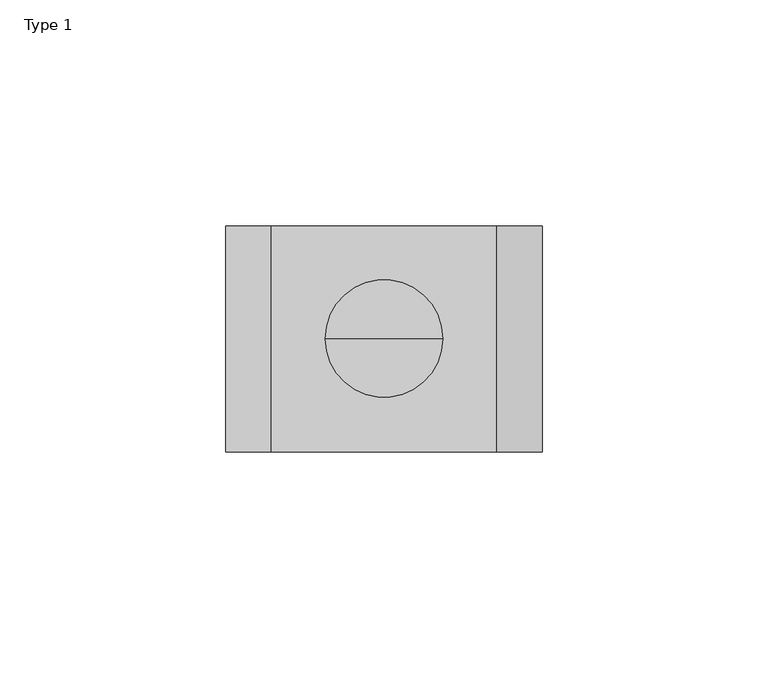
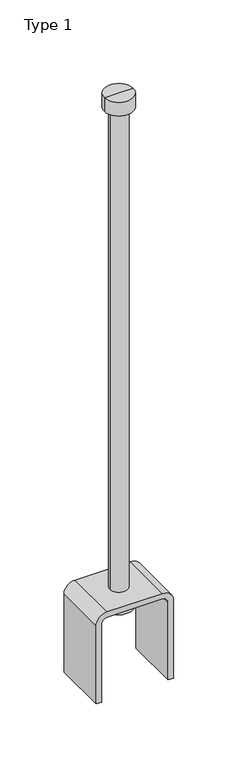
"""IFC4 building model written with IfcOpenShell, lengths in millimetres: proxy geometry, Type 1."""

import ifcopenshell
import ifcopenshell.guid

model = None  # the IFC model being written
_history = None  # IfcOwnerHistory: only IFC2X3 demands one
_inside = {}  # id of a spatial element -> (the spatial element, [elements in it])
_under = {}  # id of a project, library or spatial element -> (it, [spatial elements below it])
_declared = {}  # id of a project -> (the project, [libraries it declares])
_typed = {}  # id of a type object -> (the type object, [elements of that type])
_made_of = {}  # id of a material, layer set ... -> (it, [elements and type objects made of it])


def new_model(schema):
    """Start an empty IFC model of exactly this schema.

    Asked for "IFC4X3", IfcOpenShell would pick the latest addendum, in which some entities
    have other attributes; the version numbers below select the first issue.
    IFC2X3 requires an IfcOwnerHistory on every rooted entity: one is made here for all.
    """
    global model, _history
    if schema == "IFC4X3":
        model = ifcopenshell.file(schema_version=(4, 3, 0, 0))
    else:
        model = ifcopenshell.file(schema=schema)
    _inside.clear()
    _under.clear()
    _declared.clear()
    _typed.clear()
    _made_of.clear()
    _history = None
    if model.schema == "IFC2X3":
        org = make("IfcOrganization", Name="unknown")
        user = make(
            "IfcPersonAndOrganization",
            ThePerson=make("IfcPerson", FamilyName="unknown"),
            TheOrganization=org,
        )
        app = make(
            "IfcApplication",
            ApplicationDeveloper=org,
            Version="unknown",
            ApplicationFullName="unknown",
            ApplicationIdentifier="unknown",
        )
        _history = make(
            "IfcOwnerHistory",
            OwningUser=user,
            OwningApplication=app,
            ChangeAction="ADDED",
            CreationDate=0,
        )
    return model


def make(cls, **values):
    """One entity of the class cls with the attributes given. An attribute that is None is left unset."""
    return model.create_entity(
        cls, **{name: value for name, value in values.items() if value is not None}
    )


def rooted(cls, **values):
    """An entity with a GlobalId (a new one), such as an element, a storey or a relation."""
    return make(cls, GlobalId=ifcopenshell.guid.new(), OwnerHistory=_history, **values)


def si_unit(unit_type, name, prefix=None):
    """IfcSIUnit, for example si_unit("LENGTHUNIT", "METRE", prefix="MILLI")."""
    return make("IfcSIUnit", UnitType=unit_type, Prefix=prefix, Name=name)


def assignment(units):
    """IfcUnitAssignment: the units of a project."""
    return None if units is None else make("IfcUnitAssignment", Units=units)


def point(xyz):
    """IfcCartesianPoint."""
    return None if xyz is None else make("IfcCartesianPoint", Coordinates=xyz)


def direction(xyz):
    """IfcDirection."""
    return None if xyz is None else make("IfcDirection", DirectionRatios=xyz)


def frame(location, z_axis=None, x_axis=None):
    """IfcAxis2Placement3D, a coordinate frame: its origin and axes. An axis left out is left unset."""
    return make(
        "IfcAxis2Placement3D",
        Location=point(location),
        Axis=direction(z_axis),
        RefDirection=direction(x_axis),
    )


def frame_2d(location, x_axis=None):
    """IfcAxis2Placement2D, a coordinate frame in the plane: its origin and x axis."""
    return make(
        "IfcAxis2Placement2D", Location=point(location), RefDirection=direction(x_axis)
    )


def origin():
    """The frame at (0, 0, 0) with its axes left unset."""
    return frame((0.0, 0.0, 0.0))


def place(relative_to, where):
    """IfcLocalPlacement: puts the frame where relative to a parent placement (None: the world)."""
    return make(
        "IfcLocalPlacement", PlacementRelTo=relative_to, RelativePlacement=where
    )


def context(
    kind, dimensions, precision=None, world=None, true_north=None, identifier=None
):
    """IfcGeometricRepresentationContext, for example the 3D "Model" context."""
    return make(
        "IfcGeometricRepresentationContext",
        ContextIdentifier=identifier,
        ContextType=kind,
        CoordinateSpaceDimension=dimensions,
        Precision=precision,
        WorldCoordinateSystem=world,
        TrueNorth=true_north,
    )


def project(units=None, contexts=None):
    """IfcProject with its units and contexts."""
    return rooted(
        "IfcProject",
        Name="project",
        RepresentationContexts=contexts,
        UnitsInContext=assignment(units),
    )


def spatial(cls, under=None, at=None, **own):
    """A site, building, storey or space (cls), placed at a placement, below another one or the project."""
    s = rooted(cls, ObjectPlacement=at, **own)
    if under is not None:
        _under.setdefault(under.id(), (under, []))[1].append(s)
    return s


def polyline(points):
    """IfcPolyline through the points."""
    return make("IfcPolyline", Points=[point(p) for p in points])


def circle_curve(where, radius):
    """IfcCircle in the frame where."""
    return make("IfcCircle", Position=where, Radius=radius)


def trimmed(basis, trim1, trim2, sense, master):
    """IfcTrimmedCurve: the piece of a basis curve between two trims."""
    return make(
        "IfcTrimmedCurve",
        BasisCurve=basis,
        Trim1=trim1,
        Trim2=trim2,
        SenseAgreement=sense,
        MasterRepresentation=master,
    )


def segment(curve, same_sense, transition):
    """IfcCompositeCurveSegment."""
    return make(
        "IfcCompositeCurveSegment",
        Transition=transition,
        SameSense=same_sense,
        ParentCurve=curve,
    )


def composite_curve(segments, self_intersect=None):
    """IfcCompositeCurve: segments joined end to end."""
    return make("IfcCompositeCurve", Segments=segments, SelfIntersect=self_intersect)


def outline(outer, holes=None, kind="AREA"):
    """IfcArbitraryClosedProfileDef: a profile drawn as a closed curve; with holes, ...WithVoids."""
    if holes is None:
        return make("IfcArbitraryClosedProfileDef", ProfileType=kind, OuterCurve=outer)
    return make(
        "IfcArbitraryProfileDefWithVoids",
        ProfileType=kind,
        OuterCurve=outer,
        InnerCurves=holes,
    )


def extrude(swept, where, along, depth):
    """IfcExtrudedAreaSolid: the profile swept, set in the frame where, extruded along a direction by depth."""
    return make(
        "IfcExtrudedAreaSolid",
        SweptArea=swept,
        Position=where,
        ExtrudedDirection=direction(along),
        Depth=depth,
    )


def shape(context_of_items, identifier, shape_type, items):
    """IfcShapeRepresentation: the items that make up one representation, for example the "Body"."""
    return make(
        "IfcShapeRepresentation",
        ContextOfItems=context_of_items,
        RepresentationIdentifier=identifier,
        RepresentationType=shape_type,
        Items=items,
    )


def source(mapping_origin, context_of_items, identifier, shape_type, items):
    """IfcRepresentationMap: a shape defined once, which mapped items show again and again."""
    return make(
        "IfcRepresentationMap",
        MappingOrigin=mapping_origin,
        MappedRepresentation=shape(context_of_items, identifier, shape_type, items),
    )


def transform(
    local_origin,
    x_axis=None,
    y_axis=None,
    z_axis=None,
    scale=None,
    scale2=None,
    scale3=None,
    uniform=True,
):
    """IfcCartesianTransformationOperator3D, or its non-uniform kind. x_axis, y_axis, z_axis: its Axis1, 2, 3."""
    if uniform:
        return make(
            "IfcCartesianTransformationOperator3D",
            Axis1=direction(x_axis),
            Axis2=direction(y_axis),
            LocalOrigin=point(local_origin),
            Scale=scale,
            Axis3=direction(z_axis),
        )
    return make(
        "IfcCartesianTransformationOperator3DnonUniform",
        Axis1=direction(x_axis),
        Axis2=direction(y_axis),
        LocalOrigin=point(local_origin),
        Scale=scale,
        Axis3=direction(z_axis),
        Scale2=scale2,
        Scale3=scale3,
    )


def mapped(mapping_source, mapping_target):
    """IfcMappedItem: shows the shape of a source again, moved by a transform."""
    return make(
        "IfcMappedItem", MappingSource=mapping_source, MappingTarget=mapping_target
    )


def made_of(thing, what):
    """Note that an element or type object is made of a material, layer set ...; save() writes the relation."""
    if what is not None:
        _made_of.setdefault(what.id(), (what, []))[1].append(thing)
    return thing


def element(
    cls,
    number,
    at=None,
    inside=None,
    cuts=None,
    type_object=None,
    material=None,
    context=None,
    identifier="Body",
    shape_type=None,
    held_by="IfcProductDefinitionShape",
    body=None,
    shapes=None,
    **own,
):
    """One element of the class cls, such as IfcWall. Its Tag is "e" and its number.

    at: its placement. inside: the storey or other place that contains it. cuts: it is an
    opening in that element (IfcRelVoidsElement). A single representation is given by context,
    identifier, shape_type and body (its items); several are given by shapes. held_by: the class
    of the entity that holds the representations. save() writes the other relations.
    """
    e = rooted(cls, Tag="e%d" % number, ObjectPlacement=at, **own)
    if body is not None:
        shapes = [shape(context, identifier, shape_type, body)]
    if shapes is not None:
        e.Representation = make(held_by, Representations=shapes)
    if inside is not None:
        _inside.setdefault(inside.id(), (inside, []))[1].append(e)
    if cuts is not None:
        rooted(
            "IfcRelVoidsElement", RelatingBuildingElement=cuts, RelatedOpeningElement=e
        )
    if type_object is not None:
        _typed.setdefault(type_object.id(), (type_object, []))[1].append(e)
    return made_of(e, material)


def aggregate(whole, parts):
    """IfcRelAggregates: a whole, such as a stair, and the parts it consists of."""
    return rooted("IfcRelAggregates", RelatingObject=whole, RelatedObjects=parts)


def save(model, path):
    """Write the relations noted so far, then the file.

    IfcRelAggregates (storeys below a building ...), IfcRelContainedInSpatialStructure (elements
    in a storey), IfcRelDefinesByType, IfcRelAssociatesMaterial and IfcRelDeclares: one each for
    every whole, place, type object, material and project.
    """
    for whole, parts in _under.values():
        aggregate(whole, parts)
    for where, things in _inside.values():
        rooted(
            "IfcRelContainedInSpatialStructure",
            RelatedElements=things,
            RelatingStructure=where,
        )
    for kind, things in _typed.values():
        rooted("IfcRelDefinesByType", RelatedObjects=things, RelatingType=kind)
    for what, things in _made_of.values():
        rooted("IfcRelAssociatesMaterial", RelatedObjects=things, RelatingMaterial=what)
    for by, libraries in _declared.values():
        rooted("IfcRelDeclares", RelatingContext=by, RelatedDefinitions=libraries)
    model.write(path)


def plane_surface(at):
    """IfcPlane: the flat surface through the origin of the frame at, square to its z axis."""
    return make("IfcPlane", Position=at)


def cylinder_surface(at, radius):
    """IfcCylindricalSurface: all points at the distance radius from the z axis of the frame at."""
    return make("IfcCylindricalSurface", Position=at, Radius=radius)


def advanced_brep(points, edges, surfaces, faces):
    """IfcAdvancedBrep: a solid bounded by faces that lie on surfaces and meet in shared edges.

    An edge is (start, end): straight between two places in points (the first is 0);
    or (start, end, curve); or (start, end, curve, False) where it runs against its curve.
    A face is (place in surfaces, loops), or (place, loops, False) where it looks against
    its surface's normal. A loop lists edges by number (the first is 1), with a minus sign
    where the edge is run from its end to its start. The first loop is the outer one.
    """
    corners = [point(p) for p in points]
    vertices = [make("IfcVertexPoint", VertexGeometry=c) for c in corners]
    made = []
    for start, end, *more in edges:
        made.append(
            make(
                "IfcEdgeCurve",
                EdgeStart=vertices[start],
                EdgeEnd=vertices[end],
                EdgeGeometry=more[0] if more else make("IfcPolyline", Points=[corners[start], corners[end]]),
                SameSense=more[1] if len(more) > 1 else True,
            )
        )
    hull = []
    for where, loops, *sense in faces:
        bounds = []
        for j, loop in enumerate(loops):
            ring = [make("IfcOrientedEdge", EdgeElement=made[abs(k) - 1], Orientation=k > 0) for k in loop]
            bounds.append(
                make(
                    "IfcFaceOuterBound" if j == 0 else "IfcFaceBound",
                    Bound=make("IfcEdgeLoop", EdgeList=ring),
                    Orientation=True,
                )
            )
        hull.append(make("IfcAdvancedFace", Bounds=bounds, FaceSurface=surfaces[where], SameSense=sense[0] if sense else True))
    return make("IfcAdvancedBrep", Outer=make("IfcClosedShell", CfsFaces=hull))


def type_1_1803f351(model_context):
    return source(origin(), model_context, "Body", "SolidModel", [
        extrude(outline(composite_curve([segment(polyline([(320.0, -35.0), (246.0, -35.0), (246.0, -30.0), (320.0, -30.0)]), True, "CONTINUOUS"), segment(trimmed(circle_curve(frame_2d((320.0, -25.0)), 5.0), [point((320.0, -30.0))], [point((325.0, -25.0))], True, "CARTESIAN"), True, "CONTINUOUS"), segment(polyline([(325.0, -25.0), (325.0, 25.0)]), True, "CONTINUOUS"), segment(trimmed(circle_curve(frame_2d((320.0, 25.0)), 5.0), [point((325.0, 25.0))], [point((320.0, 30.0))], True, "CARTESIAN"), True, "CONTINUOUS"), segment(polyline([(320.0, 30.0), (246.0, 30.0), (246.0, 35.0), (320.0, 35.0)]), True, "CONTINUOUS"), segment(trimmed(circle_curve(frame_2d((320.0, 25.0)), 10.0), [point((320.0, 35.0))], [point((330.0, 25.0))], False, "CARTESIAN"), True, "CONTINUOUS"), segment(polyline([(330.0, 25.0), (330.0, -25.0)]), True, "CONTINUOUS"), segment(trimmed(circle_curve(frame_2d((320.0, -25.0)), 10.0), [point((330.0, -25.0))], [point((320.0, -35.0))], False, "CARTESIAN"), True, "CONTINUOUS")], self_intersect=False)), frame((0.0, 222.5, 0.0), z_axis=(0.0, 1.0, 0.0), x_axis=(0.0, 0.0, 1.0)), (0.0, 0.0, 1.0), 50.0),
        advanced_brep(
        [(13.0, 247.5, 787.0), (-13.0, 247.5, 787.0), (-13.0, 247.5, 800.0), (13.0, 247.5, 800.0), (8.0, 247.5, 787.0), (-8.0, 247.5, 787.0), (8.0, 247.5, 325.0), (-8.0, 247.5, 325.0), (13.0, 247.5, 325.0), (-13.0, 247.5, 325.0), (13.0, 247.5, 312.5), (-13.0, 247.5, 312.5), (0.0, 247.5, 312.5), (0.0, 247.5, 800.0)],
        [
            (0, 1, circle_curve(frame((0.0, 247.5, 787.0), z_axis=(0.0, 0.0, 1.0), x_axis=(-1.0, 0.0, 0.0)), 13.0)),
            (1, 2),
            (2, 3, circle_curve(frame((0.0, 247.5, 800.0), z_axis=(0.0, 0.0, -1.0), x_axis=(-1.0, 0.0, 0.0)), 13.0)),
            (3, 0),
            (1, 0, circle_curve(frame((0.0, 247.5, 787.0), z_axis=(0.0, 0.0, 1.0), x_axis=(-1.0, 0.0, 0.0)), 13.0)),
            (3, 2, circle_curve(frame((0.0, 247.5, 800.0), z_axis=(0.0, 0.0, -1.0), x_axis=(-1.0, 0.0, 0.0)), 13.0)),
            (4, 5, circle_curve(frame((0.0, 247.5, 787.0), z_axis=(0.0, 0.0, 1.0), x_axis=(-1.0, 0.0, 0.0)), 8.0)),
            (5, 1),
            (0, 4),
            (5, 4, circle_curve(frame((0.0, 247.5, 787.0), z_axis=(0.0, 0.0, 1.0), x_axis=(-1.0, 0.0, 0.0)), 8.0)),
            (6, 7, circle_curve(frame((0.0, 247.5, 325.0), z_axis=(0.0, 0.0, 1.0), x_axis=(-1.0, 0.0, 0.0)), 8.0)),
            (7, 5),
            (4, 6),
            (7, 6, circle_curve(frame((0.0, 247.5, 325.0), z_axis=(0.0, 0.0, 1.0), x_axis=(-1.0, 0.0, 0.0)), 8.0)),
            (8, 9, circle_curve(frame((0.0, 247.5, 325.0), z_axis=(0.0, 0.0, 1.0), x_axis=(-1.0, 0.0, 0.0)), 13.0)),
            (9, 7),
            (6, 8),
            (9, 8, circle_curve(frame((0.0, 247.5, 325.0), z_axis=(0.0, 0.0, 1.0), x_axis=(-1.0, 0.0, 0.0)), 13.0)),
            (10, 11, circle_curve(frame((0.0, 247.5, 312.5), z_axis=(0.0, 0.0, 1.0), x_axis=(-1.0, 0.0, 0.0)), 13.0)),
            (11, 9),
            (8, 10),
            (11, 10, circle_curve(frame((0.0, 247.5, 312.5), z_axis=(0.0, 0.0, 1.0), x_axis=(-1.0, 0.0, 0.0)), 13.0)),
            (12, 11),
            (10, 12),
            (2, 13),
            (13, 3),
        ],
        [
            cylinder_surface(frame((0.0, 247.5, 537.4767041), z_axis=(0.0, 0.0, -1.0), x_axis=(-1.0, 0.0, 0.0)), 13.0),
            plane_surface(frame((0.0, 247.5, 787.0), z_axis=(0.0, 0.0, -1.0), x_axis=(-1.0, 0.0, 0.0))),
            cylinder_surface(frame((0.0, 247.5, 537.4767041), z_axis=(0.0, 0.0, -1.0), x_axis=(-1.0, 0.0, 0.0)), 8.0),
            plane_surface(frame((0.0, 247.5, 325.0), z_axis=(0.0, 0.0, 1.0), x_axis=(-1.0, 0.0, 0.0))),
            plane_surface(frame((0.0, 247.5, 312.5), z_axis=(0.0, 0.0, -1.0), x_axis=(-1.0, 0.0, 0.0))),
            plane_surface(frame((0.0, 247.5, 800.0), z_axis=(0.0, 0.0, 1.0), x_axis=(-1.0, 0.0, 0.0))),
        ],
        [
            (0, [[1, 2, 3, 4]]),
            (0, [[5, -4, 6, -2]]),
            (1, [[7, 8, -1, 9]]),
            (1, [[10, -9, -5, -8]]),
            (2, [[11, 12, -7, 13]]),
            (2, [[14, -13, -10, -12]]),
            (3, [[15, 16, -11, 17]]),
            (3, [[18, -17, -14, -16]]),
            (0, [[19, 20, -15, 21]]),
            (0, [[22, -21, -18, -20]]),
            (4, [[23, -19, 24]]),
            (4, [[-24, -22, -23]]),
            (5, [[-3, 25, 26]]),
            (5, [[-6, -26, -25]]),
        ],
    ),
    ])


if __name__ == "__main__":
    model = new_model("IFC4")
    model_context = context("Model", 3, world=origin())
    ifc_project = project(units=[si_unit("LENGTHUNIT", "METRE", prefix="MILLI")], contexts=[model_context])
    site = spatial("IfcSite", under=ifc_project)
    building = spatial("IfcBuilding", under=site)
    placement = place(None, origin())
    type_1_shape = type_1_1803f351(model_context)
    element("IfcBuildingElementProxy", 1, Name="Type 1", ObjectType="Type 1", at=placement, inside=building, context=model_context, shape_type="MappedRepresentation", body=[
        mapped(type_1_shape, transform((0.0, 0.0, 0.0), x_axis=(1.0, 0.0, 0.0), y_axis=(0.0, 1.0, 0.0), z_axis=(0.0, 0.0, 1.0))),
    ])
    save(model, "model.ifc")
